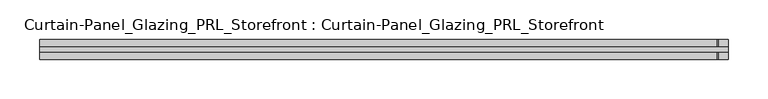
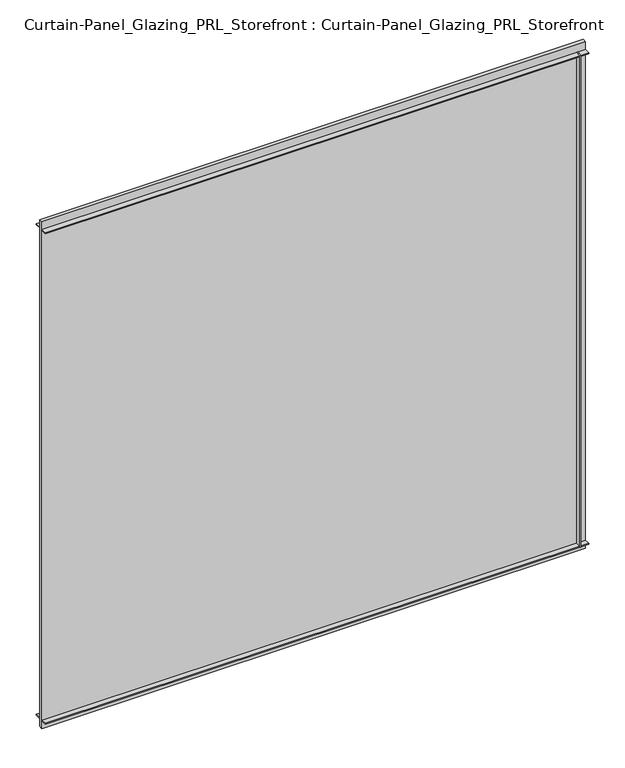
"""IFC4 building model written with IfcOpenShell, lengths in millimetres: plate geometry, Curtain-Panel_Glazing_PRL_Storefront : Curtain-Panel_Glazing_PRL_Storefront."""

from ifc_helpers import new_model, si_unit, frame, origin, origin_with_axes, place, context, project, spatial, polyline, outline, extrude, source, transform, mapped, element, save


def curtain_panel_glazing_prl_storefront_curtain_panel_glazing_dd844209(model_context):
    return source(origin(), model_context, "Body", "SweptSolid", [
        extrude(outline(polyline([(422.275, -12.7), (420.6875, -12.7), (420.6875, -3.175), (422.275, -3.175), (422.275, -12.7)])), frame((0.0, 0.0, 12.7), z_axis=(0.0, 0.0, 1.0), x_axis=(1.0, 0.0, 0.0)), (0.0, 0.0, 1.0), 831.85),
        extrude(outline(polyline([(422.275, 12.7), (422.275, 3.175), (420.6875, 3.175), (420.6875, 12.7), (422.275, 12.7)])), frame((0.0, 0.0, 12.7), z_axis=(0.0, 0.0, 1.0), x_axis=(1.0, 0.0, 0.0)), (0.0, 0.0, 1.0), 831.85),
        extrude(outline(polyline([(434.975, 3.175), (434.975, -3.175), (-434.975, -3.175), (-434.975, 3.175), (434.975, 3.175)])), origin_with_axes(), (0.0, 0.0, 1.0), 857.25),
        extrude(outline(polyline([(-434.975, -12.7), (-434.975, -3.175), (434.975, -3.175), (434.975, -12.7), (-434.975, -12.7)])), frame((0.0, 0.0, 842.9625), z_axis=(0.0, 0.0, 1.0), x_axis=(1.0, 0.0, 0.0)), (0.0, 0.0, 1.0), 1.5875),
        extrude(outline(polyline([(-434.975, 12.7), (434.975, 12.7), (434.975, 3.175), (-434.975, 3.175), (-434.975, 12.7)])), frame((0.0, 0.0, 842.9625), z_axis=(0.0, 0.0, 1.0), x_axis=(1.0, 0.0, 0.0)), (0.0, 0.0, 1.0), 1.5875),
        extrude(outline(polyline([(-434.975, -12.7), (-434.975, -3.175), (434.975, -3.175), (434.975, -12.7), (-434.975, -12.7)])), frame((0.0, 0.0, 12.7), z_axis=(0.0, 0.0, 1.0), x_axis=(1.0, 0.0, 0.0)), (0.0, 0.0, 1.0), 1.5875),
        extrude(outline(polyline([(-434.975, 12.7), (434.975, 12.7), (434.975, 3.175), (-434.975, 3.175), (-434.975, 12.7)])), frame((0.0, 0.0, 12.7), z_axis=(0.0, 0.0, 1.0), x_axis=(1.0, 0.0, 0.0)), (0.0, 0.0, 1.0), 1.5875),
    ])


if __name__ == "__main__":
    model = new_model("IFC4")
    model_context = context("Model", 3, world=origin())
    ifc_project = project(units=[si_unit("LENGTHUNIT", "METRE", prefix="MILLI")], contexts=[model_context])
    site = spatial("IfcSite", under=ifc_project)
    building = spatial("IfcBuilding", under=site)
    placement = place(None, origin())
    curtain_panel_glazing_prl_storefront_curtain_panel_glazing_shape = curtain_panel_glazing_prl_storefront_curtain_panel_glazing_dd844209(model_context)
    element("IfcPlate", 1, ObjectType="Curtain-Panel_Glazing_PRL_Storefront : Curtain-Panel_Glazing_PRL_Storefront", at=placement, inside=building, context=model_context, shape_type="MappedRepresentation", body=[
        mapped(curtain_panel_glazing_prl_storefront_curtain_panel_glazing_shape, transform((0.0, 0.0, 0.0), x_axis=(1.0, 0.0, 0.0), y_axis=(0.0, 1.0, 0.0), z_axis=(0.0, 0.0, 1.0))),
    ])
    save(model, "model.ifc")
